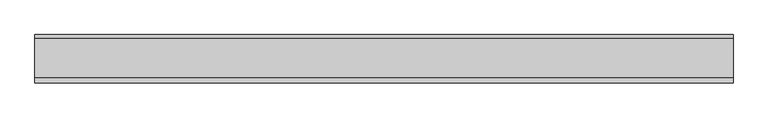
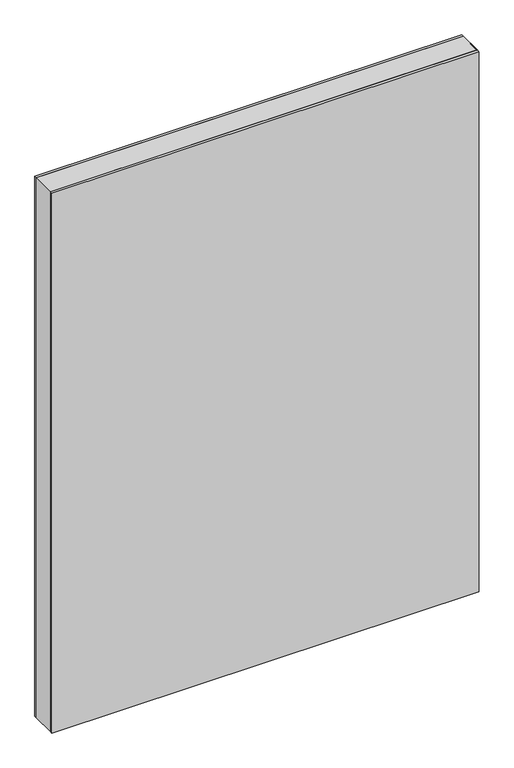
"""IFC4 building model written with IfcOpenShell, lengths in millimetres: plate geometry."""

import ifcopenshell
import ifcopenshell.guid

model = None  # the IFC model being written
_history = None  # IfcOwnerHistory: only IFC2X3 demands one
_inside = {}  # id of a spatial element -> (the spatial element, [elements in it])
_under = {}  # id of a project, library or spatial element -> (it, [spatial elements below it])
_declared = {}  # id of a project -> (the project, [libraries it declares])
_typed = {}  # id of a type object -> (the type object, [elements of that type])
_made_of = {}  # id of a material, layer set ... -> (it, [elements and type objects made of it])


def new_model(schema):
    """Start an empty IFC model of exactly this schema.

    Asked for "IFC4X3", IfcOpenShell would pick the latest addendum, in which some entities
    have other attributes; the version numbers below select the first issue.
    IFC2X3 requires an IfcOwnerHistory on every rooted entity: one is made here for all.
    """
    global model, _history
    if schema == "IFC4X3":
        model = ifcopenshell.file(schema_version=(4, 3, 0, 0))
    else:
        model = ifcopenshell.file(schema=schema)
    _inside.clear()
    _under.clear()
    _declared.clear()
    _typed.clear()
    _made_of.clear()
    _history = None
    if model.schema == "IFC2X3":
        org = make("IfcOrganization", Name="unknown")
        user = make(
            "IfcPersonAndOrganization",
            ThePerson=make("IfcPerson", FamilyName="unknown"),
            TheOrganization=org,
        )
        app = make(
            "IfcApplication",
            ApplicationDeveloper=org,
            Version="unknown",
            ApplicationFullName="unknown",
            ApplicationIdentifier="unknown",
        )
        _history = make(
            "IfcOwnerHistory",
            OwningUser=user,
            OwningApplication=app,
            ChangeAction="ADDED",
            CreationDate=0,
        )
    return model


def make(cls, **values):
    """One entity of the class cls with the attributes given. An attribute that is None is left unset."""
    return model.create_entity(
        cls, **{name: value for name, value in values.items() if value is not None}
    )


def rooted(cls, **values):
    """An entity with a GlobalId (a new one), such as an element, a storey or a relation."""
    return make(cls, GlobalId=ifcopenshell.guid.new(), OwnerHistory=_history, **values)


def si_unit(unit_type, name, prefix=None):
    """IfcSIUnit, for example si_unit("LENGTHUNIT", "METRE", prefix="MILLI")."""
    return make("IfcSIUnit", UnitType=unit_type, Prefix=prefix, Name=name)


def assignment(units):
    """IfcUnitAssignment: the units of a project."""
    return None if units is None else make("IfcUnitAssignment", Units=units)


def point(xyz):
    """IfcCartesianPoint."""
    return None if xyz is None else make("IfcCartesianPoint", Coordinates=xyz)


def direction(xyz):
    """IfcDirection."""
    return None if xyz is None else make("IfcDirection", DirectionRatios=xyz)


def frame(location, z_axis=None, x_axis=None):
    """IfcAxis2Placement3D, a coordinate frame: its origin and axes. An axis left out is left unset."""
    return make(
        "IfcAxis2Placement3D",
        Location=point(location),
        Axis=direction(z_axis),
        RefDirection=direction(x_axis),
    )


def origin():
    """The frame at (0, 0, 0) with its axes left unset."""
    return frame((0.0, 0.0, 0.0))


def origin_with_axes():
    """The frame at (0, 0, 0) with the z axis (0, 0, 1) and the x axis (1, 0, 0) written out."""
    return frame((0.0, 0.0, 0.0), z_axis=(0.0, 0.0, 1.0), x_axis=(1.0, 0.0, 0.0))


def place(relative_to, where):
    """IfcLocalPlacement: puts the frame where relative to a parent placement (None: the world)."""
    return make(
        "IfcLocalPlacement", PlacementRelTo=relative_to, RelativePlacement=where
    )


def context(
    kind, dimensions, precision=None, world=None, true_north=None, identifier=None
):
    """IfcGeometricRepresentationContext, for example the 3D "Model" context."""
    return make(
        "IfcGeometricRepresentationContext",
        ContextIdentifier=identifier,
        ContextType=kind,
        CoordinateSpaceDimension=dimensions,
        Precision=precision,
        WorldCoordinateSystem=world,
        TrueNorth=true_north,
    )


def project(units=None, contexts=None):
    """IfcProject with its units and contexts."""
    return rooted(
        "IfcProject",
        Name="project",
        RepresentationContexts=contexts,
        UnitsInContext=assignment(units),
    )


def spatial(cls, under=None, at=None, **own):
    """A site, building, storey or space (cls), placed at a placement, below another one or the project."""
    s = rooted(cls, ObjectPlacement=at, **own)
    if under is not None:
        _under.setdefault(under.id(), (under, []))[1].append(s)
    return s


def polyline(points):
    """IfcPolyline through the points."""
    return make("IfcPolyline", Points=[point(p) for p in points])


def outline(outer, holes=None, kind="AREA"):
    """IfcArbitraryClosedProfileDef: a profile drawn as a closed curve; with holes, ...WithVoids."""
    if holes is None:
        return make("IfcArbitraryClosedProfileDef", ProfileType=kind, OuterCurve=outer)
    return make(
        "IfcArbitraryProfileDefWithVoids",
        ProfileType=kind,
        OuterCurve=outer,
        InnerCurves=holes,
    )


def extrude(swept, where, along, depth):
    """IfcExtrudedAreaSolid: the profile swept, set in the frame where, extruded along a direction by depth."""
    return make(
        "IfcExtrudedAreaSolid",
        SweptArea=swept,
        Position=where,
        ExtrudedDirection=direction(along),
        Depth=depth,
    )


def shape(context_of_items, identifier, shape_type, items):
    """IfcShapeRepresentation: the items that make up one representation, for example the "Body"."""
    return make(
        "IfcShapeRepresentation",
        ContextOfItems=context_of_items,
        RepresentationIdentifier=identifier,
        RepresentationType=shape_type,
        Items=items,
    )


def source(mapping_origin, context_of_items, identifier, shape_type, items):
    """IfcRepresentationMap: a shape defined once, which mapped items show again and again."""
    return make(
        "IfcRepresentationMap",
        MappingOrigin=mapping_origin,
        MappedRepresentation=shape(context_of_items, identifier, shape_type, items),
    )


def transform(
    local_origin,
    x_axis=None,
    y_axis=None,
    z_axis=None,
    scale=None,
    scale2=None,
    scale3=None,
    uniform=True,
):
    """IfcCartesianTransformationOperator3D, or its non-uniform kind. x_axis, y_axis, z_axis: its Axis1, 2, 3."""
    if uniform:
        return make(
            "IfcCartesianTransformationOperator3D",
            Axis1=direction(x_axis),
            Axis2=direction(y_axis),
            LocalOrigin=point(local_origin),
            Scale=scale,
            Axis3=direction(z_axis),
        )
    return make(
        "IfcCartesianTransformationOperator3DnonUniform",
        Axis1=direction(x_axis),
        Axis2=direction(y_axis),
        LocalOrigin=point(local_origin),
        Scale=scale,
        Axis3=direction(z_axis),
        Scale2=scale2,
        Scale3=scale3,
    )


def mapped(mapping_source, mapping_target):
    """IfcMappedItem: shows the shape of a source again, moved by a transform."""
    return make(
        "IfcMappedItem", MappingSource=mapping_source, MappingTarget=mapping_target
    )


def made_of(thing, what):
    """Note that an element or type object is made of a material, layer set ...; save() writes the relation."""
    if what is not None:
        _made_of.setdefault(what.id(), (what, []))[1].append(thing)
    return thing


def element(
    cls,
    number,
    at=None,
    inside=None,
    cuts=None,
    type_object=None,
    material=None,
    context=None,
    identifier="Body",
    shape_type=None,
    held_by="IfcProductDefinitionShape",
    body=None,
    shapes=None,
    **own,
):
    """One element of the class cls, such as IfcWall. Its Tag is "e" and its number.

    at: its placement. inside: the storey or other place that contains it. cuts: it is an
    opening in that element (IfcRelVoidsElement). A single representation is given by context,
    identifier, shape_type and body (its items); several are given by shapes. held_by: the class
    of the entity that holds the representations. save() writes the other relations.
    """
    e = rooted(cls, Tag="e%d" % number, ObjectPlacement=at, **own)
    if body is not None:
        shapes = [shape(context, identifier, shape_type, body)]
    if shapes is not None:
        e.Representation = make(held_by, Representations=shapes)
    if inside is not None:
        _inside.setdefault(inside.id(), (inside, []))[1].append(e)
    if cuts is not None:
        rooted(
            "IfcRelVoidsElement", RelatingBuildingElement=cuts, RelatedOpeningElement=e
        )
    if type_object is not None:
        _typed.setdefault(type_object.id(), (type_object, []))[1].append(e)
    return made_of(e, material)


def aggregate(whole, parts):
    """IfcRelAggregates: a whole, such as a stair, and the parts it consists of."""
    return rooted("IfcRelAggregates", RelatingObject=whole, RelatedObjects=parts)


def save(model, path):
    """Write the relations noted so far, then the file.

    IfcRelAggregates (storeys below a building ...), IfcRelContainedInSpatialStructure (elements
    in a storey), IfcRelDefinesByType, IfcRelAssociatesMaterial and IfcRelDeclares: one each for
    every whole, place, type object, material and project.
    """
    for whole, parts in _under.values():
        aggregate(whole, parts)
    for where, things in _inside.values():
        rooted(
            "IfcRelContainedInSpatialStructure",
            RelatedElements=things,
            RelatingStructure=where,
        )
    for kind, things in _typed.values():
        rooted("IfcRelDefinesByType", RelatedObjects=things, RelatingType=kind)
    for what, things in _made_of.values():
        rooted("IfcRelAssociatesMaterial", RelatedObjects=things, RelatingMaterial=what)
    for by, libraries in _declared.values():
        rooted("IfcRelDeclares", RelatingContext=by, RelatedDefinitions=libraries)
    model.write(path)


def plate_c3b6c3c0(model_context):
    return source(origin(), model_context, "Body", "SweptSolid", [
        extrude(outline(polyline([(1440.75, -539.6875001), (0.0, -539.6875001), (0.0, 539.6875001), (1440.75, 539.6875001), (1440.75, -539.6875001)]), holes=[polyline([(1439.75, -538.6875001), (1439.75, 538.6875001), (1.0, 538.6875001), (1.0, -538.6875001), (1439.75, -538.6875001)])]), frame((0.0, -29.2, 0.0), z_axis=(0.0, 1.0, 0.0), x_axis=(0.0, 0.0, 1.0)), (0.0, 0.0, 1.0), 60.4),
        extrude(outline(polyline([(539.6875001, 31.2), (-539.6875001, 31.2), (-539.6875001, 37.2), (539.6875001, 37.2), (539.6875001, 31.2)])), origin_with_axes(), (0.0, 0.0, 1.0), 1440.75),
        extrude(outline(polyline([(-539.6875001, -37.2), (-539.6875001, -29.2), (539.6875001, -29.2), (539.6875001, -37.2), (-539.6875001, -37.2)])), origin_with_axes(), (0.0, 0.0, 1.0), 1440.75),
    ])


if __name__ == "__main__":
    model = new_model("IFC4")
    model_context = context("Model", 3, world=origin())
    ifc_project = project(units=[si_unit("LENGTHUNIT", "METRE", prefix="MILLI")], contexts=[model_context])
    site = spatial("IfcSite", under=ifc_project)
    building = spatial("IfcBuilding", under=site)
    placement = place(None, origin())
    plate_shape = plate_c3b6c3c0(model_context)
    element("IfcPlate", 1, at=placement, inside=building, context=model_context, shape_type="MappedRepresentation", body=[
        mapped(plate_shape, transform((0.0, 0.0, 0.0), x_axis=(1.0, 0.0, 0.0), y_axis=(0.0, 1.0, 0.0), z_axis=(0.0, 0.0, 1.0))),
    ])
    save(model, "model.ifc")
